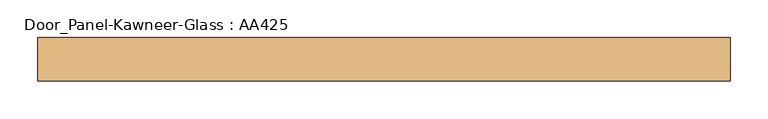
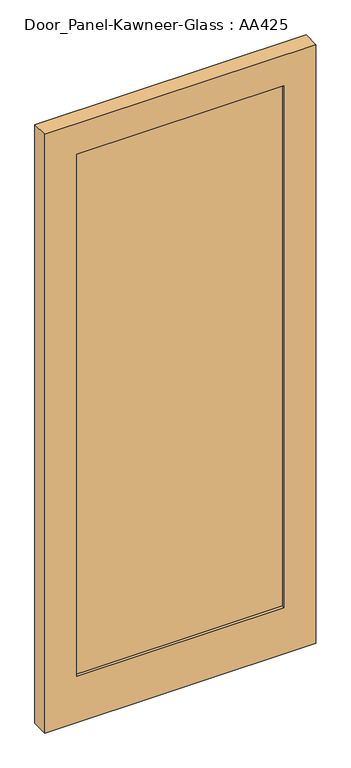
"""IFC4 building model written with IfcOpenShell, lengths in millimetres: door geometry, Door_Panel-Kawneer-Glass : AA425."""

from ifc_helpers import new_model, si_unit, frame, origin, place, context, project, spatial, polyline, outline, extrude, source, transform, mapped, element, save


def door_panel_kawneer_glass_aa425_f4abb921(model_context):
    return source(origin(), model_context, "Body", "SweptSolid", [
        extrude(outline(polyline([(806.45, 34.925), (806.45, 9.525), (107.95, 9.525), (107.95, 34.925), (806.45, 34.925)])), frame((0.0, 0.0, 165.1), z_axis=(0.0, 0.0, 1.0), x_axis=(1.0, 0.0, 0.0)), (0.0, 0.0, 1.0), 1860.55),
        extrude(outline(polyline([(2133.6, 914.4), (2133.6, 0.0), (0.0, 0.0), (0.0, 914.4), (2133.6, 914.4)]), holes=[polyline([(2025.65, 806.45), (165.1, 806.45), (165.1, 107.95), (2025.65, 107.95), (2025.65, 806.45)])]), frame((0.0, 0.0, 0.0), z_axis=(0.0, 1.0, 0.0), x_axis=(0.0, 0.0, 1.0)), (0.0, 0.0, 1.0), 57.15),
    ])


if __name__ == "__main__":
    model = new_model("IFC4")
    model_context = context("Model", 3, world=origin())
    ifc_project = project(units=[si_unit("LENGTHUNIT", "METRE", prefix="MILLI")], contexts=[model_context])
    site = spatial("IfcSite", under=ifc_project)
    building = spatial("IfcBuilding", under=site)
    placement = place(None, origin())
    door_panel_kawneer_glass_aa425_shape = door_panel_kawneer_glass_aa425_f4abb921(model_context)
    element("IfcDoor", 1, ObjectType="Door_Panel-Kawneer-Glass : AA425", at=placement, inside=building, context=model_context, shape_type="MappedRepresentation", body=[
        mapped(door_panel_kawneer_glass_aa425_shape, transform((0.0, 0.0, 0.0), x_axis=(1.0, 0.0, 0.0), y_axis=(0.0, 1.0, 0.0), z_axis=(0.0, 0.0, 1.0))),
    ])
    save(model, "model.ifc")
